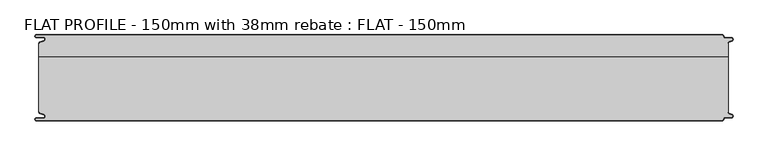
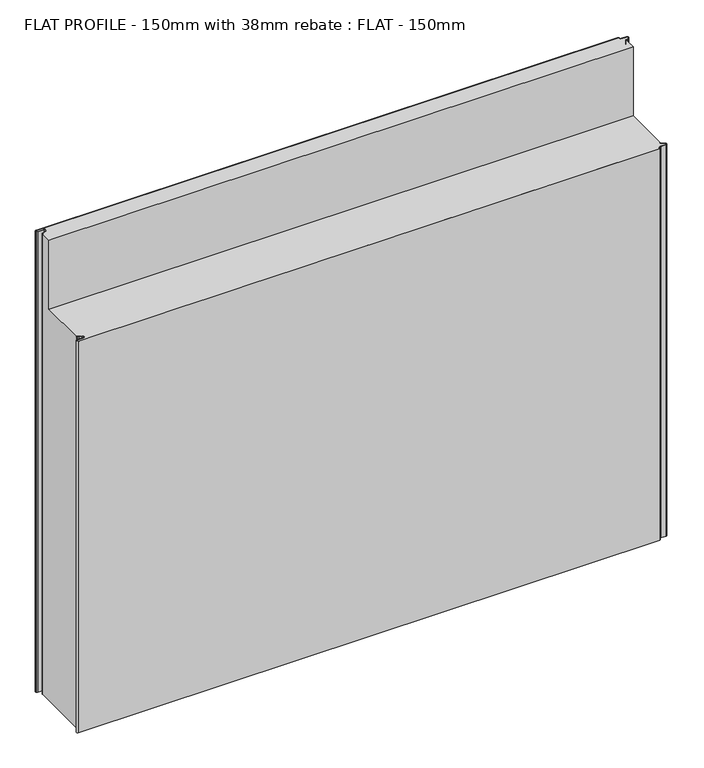
"""IFC4 building model written with IfcOpenShell, lengths in millimetres: proxy geometry, FLAT PROFILE - 150mm with 38mm rebate : FLAT - 150mm."""

from ifc_helpers import new_model, si_unit, point, frame, frame_2d, origin, origin_with_axes, place, context, project, spatial, polyline, circle_curve, trimmed, segment, composite_curve, outline, extrude, source, transform, mapped, element, save
from ifc_brep_helpers import plane_surface, cylinder_surface, revolved_surface, advanced_brep


def flat_profile_150mm_with_38mm_rebate_flat_150mm_bd614838(model_context):
    return source(origin(), model_context, "Body", "SolidModel", [
        advanced_brep(
        [(-592.9881924, 59.2522214, 1000.0), (-592.9881924, 36.9999981, 1000.0), (607.0118076, 36.9999981, 1000.0), (607.0118076, 59.2522195, 1000.0), (606.0107004, 59.2522195, 1000.0), (606.0682599, 60.4750703, 1000.0), (607.8546835, 62.9154119, 1000.0), (610.7828028, 64.1062964, 1000.0), (613.0435993, 64.9316951, 1000.0), (612.3116271, 68.9999981, 1000.0), (601.9112919, 68.9999981, 1000.0), (598.4115951, 72.45393, 1000.0), (596.902372, 73.9999981, 1000.0), (-597.3084562, 73.9999981, 1000.0), (-597.3733883, 71.016007, 1000.0), (-584.9273771, 71.016007, 1000.0), (-583.8995097, 63.9124389, 1000.0), (-589.3904999, 61.9138819, 1000.0), (-591.3794419, 61.1128932, 1000.0), (-591.9881924, 60.3779319, 1000.0), (-591.9881924, 59.2522214, 1000.0), (-591.3794419, -61.1128969, 0.0), (-591.9881924, -60.3779357, 0.0), (-591.9881924, -59.2522214, 0.0), (-592.9881924, -59.2522214, 0.0), (-592.9881924, 59.2522214, 0.0), (-591.9881924, 59.2522214, 0.0), (-591.9881924, 60.3779319, 0.0), (-591.3794419, 61.1128932, 0.0), (-589.3904999, 61.9138819, 0.0), (-583.8995097, 63.9124389, 0.0), (-584.9273771, 71.016007, 0.0), (-597.3733883, 71.016007, 0.0), (-597.3084562, 73.9999981, 0.0), (596.902372, 73.9999981, 0.0), (598.4115951, 72.45393, 0.0), (601.9112919, 68.9999981, 0.0), (612.3116271, 68.9999981, 0.0), (613.0435993, 64.9316951, 0.0), (610.7828028, 64.1062964, 0.0), (607.8546835, 62.9154119, 0.0), (606.0682599, 60.4750703, 0.0), (606.0107004, 59.2522195, 0.0), (607.0118076, 59.2522195, 0.0), (607.0118076, -59.2522232, 0.0), (606.0107004, -59.2522232, 0.0), (606.0682599, -60.475074, 0.0), (607.8546835, -62.9154156, 0.0), (610.7828028, -64.1063001, 0.0), (613.0435993, -64.9316988, 0.0), (612.3116271, -69.0000019, 0.0), (601.9112919, -69.0000019, 0.0), (598.4115951, -72.4539337, 0.0), (596.902372, -74.0000019, 0.0), (-597.3084562, -74.0000019, 0.0), (-597.3733883, -71.0160107, 0.0), (-584.9273771, -71.0160107, 0.0), (-583.8995097, -63.9124426, 0.0), (-589.3904999, -61.9138856, 0.0), (-591.3794419, -61.1128969, 850.0), (-591.9881924, -60.3779357, 850.0), (-591.9881924, -59.2522214, 850.0), (-592.9881924, -59.2522214, 850.0), (-592.9881924, 36.9999981, 850.0), (607.0118076, 36.9999981, 850.0), (607.0118076, -59.2522232, 850.0), (606.0107004, -59.2522232, 850.0), (606.0682599, -60.475074, 850.0), (607.8546835, -62.9154156, 850.0), (610.7828028, -64.1063001, 850.0), (613.0435993, -64.9316988, 850.0), (612.3116271, -69.0000019, 850.0), (601.9112919, -69.0000019, 850.0), (598.4115951, -72.4539337, 850.0), (596.902372, -74.0000019, 850.0), (-597.3084562, -74.0000019, 850.0), (-597.3733883, -71.0160107, 850.0), (-584.9273771, -71.0160107, 850.0), (-583.8995097, -63.9124426, 850.0), (-589.3904999, -61.9138856, 850.0)],
        [
            (0, 1),
            (1, 2),
            (2, 3),
            (3, 4),
            (4, 5),
            (5, 6, circle_curve(frame((608.9399875, 60.2468916, 1000.0), z_axis=(0.0, 0.0, -1.0), x_axis=(-0.37673982165718617, 0.9263191171392889, 0.0)), 2.8807786)),
            (6, 7),
            (7, 8),
            (8, 9, circle_curve(frame((612.3116271, 66.8999981, 1000.0), z_axis=(0.0, 0.0, 1.0), x_axis=(0.0, 1.0, 0.0)), 2.1)),
            (9, 10),
            (10, 11, circle_curve(frame((601.9112919, 72.4999981, 1000.0), z_axis=(0.0, 0.0, -1.0), x_axis=(-0.9999133729245651, -0.013162319196090405, 0.0)), 3.5)),
            (11, 12, circle_curve(frame((596.9047345, 72.4926422, 1000.0), z_axis=(0.0, 0.0, 1.0), x_axis=(-0.0015673364807945796, 0.9999987717274237, 0.0)), 1.5073578)),
            (12, 13),
            (13, 14, circle_curve(frame((-597.4921978, 72.5112943, 1000.0), z_axis=(0.0, 0.0, 1.0), x_axis=(0.07920631384695365, -0.9968582446099234, 0.0)), 1.5)),
            (14, 15),
            (15, 16, circle_curve(frame((-585.2882153, 67.3376458, 1000.0), z_axis=(0.0, 0.0, -1.0), x_axis=(0.3757302444367238, -0.926729077678865, 0.0)), 3.6960175)),
            (16, 17),
            (17, 18),
            (18, 19, circle_curve(frame((-591.0050311, 60.1831907, 1000.0), z_axis=(0.0, 0.0, 1.0), x_axis=(-0.9809418279781315, 0.1943016472470625, 0.0)), 1.0022625)),
            (19, 20),
            (20, 0),
            (21, 22, circle_curve(frame((-591.0050311, -60.1831944, 0.0), z_axis=(0.0, 0.0, -1.0), x_axis=(-0.9809418279781308, -0.19430164724706622, 0.0)), 1.0022625)),
            (22, 23),
            (23, 24),
            (24, 25),
            (25, 26),
            (26, 27),
            (27, 28, circle_curve(frame((-591.0050311, 60.1831907, 0.0), z_axis=(0.0, 0.0, -1.0), x_axis=(-0.9809418279781315, 0.1943016472470625, 0.0)), 1.0022625)),
            (28, 29),
            (29, 30),
            (30, 31, circle_curve(frame((-585.2882153, 67.3376458, 0.0), z_axis=(0.0, 0.0, 1.0), x_axis=(0.3757302444367238, -0.926729077678865, 0.0)), 3.6960175)),
            (31, 32),
            (32, 33, circle_curve(frame((-597.4921978, 72.5112943, 0.0), z_axis=(0.0, 0.0, -1.0), x_axis=(0.07920631384695365, -0.9968582446099234, 0.0)), 1.5)),
            (33, 34),
            (34, 35, circle_curve(frame((596.9047345, 72.4926422, 0.0), z_axis=(0.0, 0.0, -1.0), x_axis=(-0.0015673364807945796, 0.9999987717274237, 0.0)), 1.5073578)),
            (35, 36, circle_curve(frame((601.9112919, 72.4999981, 0.0), z_axis=(0.0, 0.0, 1.0), x_axis=(-0.9999133729245651, -0.013162319196090405, 0.0)), 3.5)),
            (36, 37),
            (37, 38, circle_curve(frame((612.3116271, 66.8999981, 0.0), z_axis=(0.0, 0.0, -1.0), x_axis=(0.0, 1.0, 0.0)), 2.1)),
            (38, 39),
            (39, 40),
            (40, 41, circle_curve(frame((608.9399875, 60.2468916, 0.0), z_axis=(0.0, 0.0, 1.0), x_axis=(-0.37673982165718617, 0.9263191171392889, 0.0)), 2.8807786)),
            (41, 42),
            (42, 43),
            (43, 44),
            (44, 45),
            (45, 46),
            (46, 47, circle_curve(frame((608.9399875, -60.2468953, 0.0), z_axis=(0.0, 0.0, 1.0), x_axis=(-0.3767398216573044, -0.9263191171392408, 0.0)), 2.8807786)),
            (47, 48),
            (48, 49),
            (49, 50, circle_curve(frame((612.3116271, -66.9000019, 0.0), z_axis=(0.0, 0.0, -1.0), x_axis=(0.0, -1.0, 0.0)), 2.1)),
            (50, 51),
            (51, 52, circle_curve(frame((601.9112919, -72.5000019, 0.0), z_axis=(0.0, 0.0, 1.0), x_axis=(-0.9999133729245651, 0.01316231919608663, 0.0)), 3.5)),
            (52, 53, circle_curve(frame((596.9047345, -72.4926459, 0.0), z_axis=(0.0, 0.0, -1.0), x_axis=(-0.001567336480790923, -0.9999987717274237, 0.0)), 1.5073578)),
            (53, 54),
            (54, 55, circle_curve(frame((-597.4921978, -72.511298, 0.0), z_axis=(0.0, 0.0, -1.0), x_axis=(0.07920631384694989, 0.9968582446099238, 0.0)), 1.5)),
            (55, 56),
            (56, 57, circle_curve(frame((-585.2882153, -67.3376495, 0.0), z_axis=(0.0, 0.0, 1.0), x_axis=(0.3757302444367203, 0.9267290776788665, 0.0)), 3.6960175)),
            (57, 58),
            (58, 21),
            (21, 59),
            (59, 60, circle_curve(frame((-591.0050311, -60.1831944, 850.0), z_axis=(0.0, 0.0, -1.0), x_axis=(-0.9809418279781308, -0.19430164724706622, 0.0)), 1.0022625)),
            (60, 22),
            (60, 61),
            (61, 23),
            (61, 62),
            (62, 24),
            (62, 63),
            (63, 1),
            (0, 25),
            (20, 26),
            (19, 27),
            (18, 28),
            (17, 29),
            (16, 30),
            (15, 31),
            (14, 32),
            (13, 33),
            (12, 34),
            (11, 35),
            (10, 36),
            (9, 37),
            (8, 38),
            (7, 39),
            (6, 40),
            (5, 41),
            (4, 42),
            (3, 43),
            (2, 64),
            (64, 65),
            (65, 44),
            (65, 66),
            (66, 45),
            (66, 67),
            (67, 46),
            (67, 68, circle_curve(frame((608.9399875, -60.2468953, 850.0), z_axis=(0.0, 0.0, 1.0), x_axis=(-0.3767398216573044, -0.9263191171392408, 0.0)), 2.8807786)),
            (68, 47),
            (68, 69),
            (69, 48),
            (69, 70),
            (70, 49),
            (70, 71, circle_curve(frame((612.3116271, -66.9000019, 850.0), z_axis=(0.0, 0.0, -1.0), x_axis=(0.0, -1.0, 0.0)), 2.1)),
            (71, 50),
            (71, 72),
            (72, 51),
            (72, 73, circle_curve(frame((601.9112919, -72.5000019, 850.0), z_axis=(0.0, 0.0, 1.0), x_axis=(-0.9999133729245651, 0.01316231919608663, 0.0)), 3.5)),
            (73, 52),
            (73, 74, circle_curve(frame((596.9047345, -72.4926459, 850.0), z_axis=(0.0, 0.0, -1.0), x_axis=(-0.001567336480790923, -0.9999987717274237, 0.0)), 1.5073578)),
            (74, 53),
            (74, 75),
            (75, 54),
            (75, 76, circle_curve(frame((-597.4921978, -72.511298, 850.0), z_axis=(0.0, 0.0, -1.0), x_axis=(0.07920631384694989, 0.9968582446099238, 0.0)), 1.5)),
            (76, 55),
            (76, 77),
            (77, 56),
            (77, 78, circle_curve(frame((-585.2882153, -67.3376495, 850.0), z_axis=(0.0, 0.0, 1.0), x_axis=(0.3757302444367203, 0.9267290776788665, 0.0)), 3.6960175)),
            (78, 57),
            (78, 79),
            (79, 58),
            (79, 59),
            (64, 63),
        ],
        [
            plane_surface(frame((0.0, 0.0, 1000.0), z_axis=(0.0, 0.0, 1.0), x_axis=(1.0, 0.0, 0.0))),
            plane_surface(frame((0.0, 0.0, 0.0), z_axis=(0.0, 0.0, -1.0), x_axis=(1.0, 0.0, 0.0))),
            cylinder_surface(frame((-591.0050311, -60.1831944, 1000.0), z_axis=(0.0, 0.0, 1.0), x_axis=(-0.9809418279781308, -0.19430164724706622, 0.0)), 1.0022625),
            plane_surface(frame((-591.9881924, -60.3779357, 1000.0), z_axis=(-1.0, 0.0, 0.0), x_axis=(0.0, 0.0, -1.0))),
            plane_surface(frame((-591.9881924, -59.2522214, 1000.0), z_axis=(0.0, -1.0, 0.0), x_axis=(0.0, 0.0, -1.0))),
            plane_surface(frame((-592.9881924, -59.2522214, 1000.0), z_axis=(-1.0, 0.0, 0.0), x_axis=(0.0, 0.0, -1.0))),
            plane_surface(frame((-592.9881924, 59.2522214, 1000.0), z_axis=(0.0, 1.0, 0.0), x_axis=(0.0, 0.0, -1.0))),
            plane_surface(frame((-591.9881924, 59.2522214, 1000.0), z_axis=(-1.0, 0.0, 0.0), x_axis=(0.0, 0.0, -1.0))),
            cylinder_surface(frame((-591.0050311, 60.1831907, 1000.0), z_axis=(0.0, 0.0, 1.0), x_axis=(-0.9809418279781315, 0.1943016472470625, 0.0)), 1.0022625),
            plane_surface(frame((-591.3794419, 61.1128932, 1000.0), z_axis=(-0.3735655344162246, 0.927603790147669, 0.0), x_axis=(0.0, 0.0, -1.0))),
            plane_surface(frame((-589.3904999, 61.9138819, 1000.0), z_axis=(-0.34202014332566044, 0.9396926207859114, 0.0), x_axis=(0.0, 0.0, -1.0))),
            revolved_surface(polyline([(-583.8995097412826, 63.91243891114006, 0.0), (-583.8995097412826, 63.91243891114006, 1000.0)]), (-585.2882153, 67.3376458, 1000.0), (0.0, 0.0, -1.0)),
            plane_surface(frame((-584.9273771, 71.016007, 1000.0), z_axis=(0.0, -1.0, 0.0), x_axis=(0.0, 0.0, -1.0))),
            cylinder_surface(frame((-597.4921978, 72.5112943, 1000.0), z_axis=(0.0, 0.0, 1.0), x_axis=(0.07920631384695365, -0.9968582446099234, 0.0)), 1.5),
            plane_surface(frame((-597.3084562, 73.9999981, 1000.0), z_axis=(0.0, 1.0, 0.0), x_axis=(0.0, 0.0, -1.0))),
            cylinder_surface(frame((596.9047345, 72.4926422, 1000.0), z_axis=(0.0, 0.0, 1.0), x_axis=(-0.0015673364807945796, 0.9999987717274237, 0.0)), 1.5073578),
            revolved_surface(polyline([(598.411595094764, 72.45392998281368, 0.0), (598.411595094764, 72.45392998281368, 1000.0)]), (601.9112919, 72.4999981, 1000.0), (0.0, 0.0, -1.0)),
            plane_surface(frame((601.9112919, 68.9999981, 1000.0), z_axis=(0.0, 1.0, 0.0), x_axis=(0.0, 0.0, -1.0))),
            cylinder_surface(frame((612.3116271, 66.8999981, 1000.0), z_axis=(0.0, 0.0, 1.0), x_axis=(0.0, 1.0, 0.0)), 2.1),
            plane_surface(frame((613.0435993, 64.9316951, 1000.0), z_axis=(0.3429504420524923, -0.939353498048525, 0.0), x_axis=(0.0, 0.0, -1.0))),
            plane_surface(frame((610.7828028, 64.1062964, 1000.0), z_axis=(0.3767398216573625, -0.9263191171392172, 0.0), x_axis=(0.0, 0.0, -1.0))),
            revolved_surface(polyline([(607.8546834840022, 62.915411889425755, -4.547473508864641e-13), (607.8546834840022, 62.915411889425755, 1000.0)]), (608.9399875, 60.2468916, 1000.0), (0.0, 0.0, -1.0000000000000002)),
            plane_surface(frame((606.0682599, 60.4750703, 1000.0), z_axis=(0.9988940489238197, -0.047017858570736114, 0.0), x_axis=(0.0, 0.0, -1.0))),
            plane_surface(frame((606.0107004, 59.2522195, 1000.0), z_axis=(0.0, 1.0, 0.0), x_axis=(0.0, 0.0, -1.0))),
            plane_surface(frame((607.0118076, 59.2522195, 1000.0), z_axis=(1.0, 0.0, 0.0), x_axis=(0.0, 0.0, -1.0))),
            plane_surface(frame((607.0118076, -59.2522232, 1000.0), z_axis=(0.0, -1.0, 0.0), x_axis=(0.0, 0.0, -1.0))),
            plane_surface(frame((606.0107004, -59.2522232, 1000.0), z_axis=(0.9988940489238193, 0.0470178585707465, 0.0), x_axis=(0.0, 0.0, -1.0))),
            revolved_surface(polyline([(607.8546834840018, -62.91541558942561, 0.0), (607.8546834840018, -62.91541558942561, 850.0)]), (608.9399875, -60.2468953, 1000.0), (0.0, 0.0, -1.0)),
            plane_surface(frame((607.8546835, -62.9154156, 1000.0), z_axis=(0.3767398216573234, 0.9263191171392331, 0.0), x_axis=(0.0, 0.0, -1.0))),
            plane_surface(frame((610.7828028, -64.1063001, 1000.0), z_axis=(0.3429504420524923, 0.939353498048525, 0.0), x_axis=(0.0, 0.0, -1.0))),
            cylinder_surface(frame((612.3116271, -66.9000019, 1000.0), z_axis=(0.0, 0.0, 1.0), x_axis=(0.0, -1.0, 0.0)), 2.1),
            plane_surface(frame((612.3116271, -69.0000019, 1000.0), z_axis=(0.0, -1.0, 0.0), x_axis=(0.0, 0.0, -1.0))),
            revolved_surface(polyline([(598.411595094764, -72.45393378281369, 0.0), (598.411595094764, -72.45393378281369, 850.0)]), (601.9112919, -72.5000019, 1000.0), (0.0, 0.0, -1.0)),
            cylinder_surface(frame((596.9047345, -72.4926459, 1000.0), z_axis=(0.0, 0.0, 1.0), x_axis=(-0.001567336480790923, -0.9999987717274237, 0.0)), 1.5073578),
            plane_surface(frame((596.902372, -74.0000019, 1000.0), z_axis=(0.0, -1.0, 0.0), x_axis=(0.0, 0.0, -1.0))),
            cylinder_surface(frame((-597.4921978, -72.511298, 1000.0), z_axis=(0.0, 0.0, 1.0000000000000002), x_axis=(0.07920631384694989, 0.9968582446099238, 0.0)), 1.5),
            plane_surface(frame((-597.3733883, -71.0160107, 1000.0), z_axis=(0.0, 1.0, 0.0), x_axis=(0.0, 0.0, -1.0))),
            revolved_surface(polyline([(-583.8995097412826, -63.91244261114005, -4.547473508864641e-13), (-583.8995097412826, -63.91244261114005, 850.0)]), (-585.2882153, -67.3376495, 1000.0), (0.0, 0.0, -1.0000000000000002)),
            plane_surface(frame((-583.8995097, -63.9124426, 1000.0), z_axis=(-0.3420201433256566, -0.9396926207859129, 0.0), x_axis=(0.0, 0.0, -1.0))),
            plane_surface(frame((-589.3904999, -61.9138856, 1000.0), z_axis=(-0.37356553441622287, -0.9276037901476696, 0.0), x_axis=(0.0, 0.0, -1.0))),
            plane_surface(frame((-612.9881924, -96.1440833, 850.0), z_axis=(0.0, 0.0, 1.0), x_axis=(1.0, 0.0, 0.0))),
            plane_surface(frame((-612.9881924, 36.9999981, 1000.0), z_axis=(0.0, -1.0, 0.0), x_axis=(0.0, 0.0, -1.0))),
        ],
        [
            (0, [[1, 2, 3, 4, 5, 6, 7, 8, 9, 10, 11, 12, 13, 14, 15, 16, 17, 18, 19, 20, 21]]),
            (1, [[22, 23, 24, 25, 26, 27, 28, 29, 30, 31, 32, 33, 34, 35, 36, 37, 38, 39, 40, 41, 42, 43, 44, 45, 46, 47, 48, 49, 50, 51, 52, 53, 54, 55, 56, 57, 58, 59]]),
            (2, [[60, 61, 62, -22]]),
            (3, [[-62, 63, 64, -23]]),
            (4, [[-64, 65, 66, -24]]),
            (5, [[-66, 67, 68, -1, 69, -25]]),
            (6, [[70, -26, -69, -21]]),
            (7, [[71, -27, -70, -20]]),
            (8, [[72, -28, -71, -19]]),
            (9, [[73, -29, -72, -18]]),
            (10, [[74, -30, -73, -17]]),
            (11, [[75, -31, -74, -16]]),
            (12, [[76, -32, -75, -15]]),
            (13, [[77, -33, -76, -14]]),
            (14, [[78, -34, -77, -13]]),
            (15, [[79, -35, -78, -12]]),
            (16, [[80, -36, -79, -11]]),
            (17, [[81, -37, -80, -10]]),
            (18, [[82, -38, -81, -9]]),
            (19, [[83, -39, -82, -8]]),
            (20, [[84, -40, -83, -7]]),
            (21, [[85, -41, -84, -6]]),
            (22, [[86, -42, -85, -5]]),
            (23, [[87, -43, -86, -4]]),
            (24, [[-87, -3, 88, 89, 90, -44]]),
            (25, [[-90, 91, 92, -45]]),
            (26, [[-92, 93, 94, -46]]),
            (27, [[-94, 95, 96, -47]]),
            (28, [[-96, 97, 98, -48]]),
            (29, [[-98, 99, 100, -49]]),
            (30, [[-100, 101, 102, -50]]),
            (31, [[-102, 103, 104, -51]]),
            (32, [[-104, 105, 106, -52]]),
            (33, [[-106, 107, 108, -53]]),
            (34, [[-108, 109, 110, -54]]),
            (35, [[-110, 111, 112, -55]]),
            (36, [[-112, 113, 114, -56]]),
            (37, [[-114, 115, 116, -57]]),
            (38, [[-116, 117, 118, -58]]),
            (39, [[-118, 119, -60, -59]]),
            (40, [[-67, -65, -63, -61, -119, -117, -115, -113, -111, -109, -107, -105, -103, -101, -99, -97, -95, -93, -91, -89, 120]]),
            (41, [[-88, -2, -68, -120]]),
        ],
    ),
        extrude(outline(composite_curve([segment(polyline([(-591.3794419, -61.1128969), (-589.3904999, -61.9138856), (-583.8995097, -63.9124426)]), True, "CONTINUOUS"), segment(trimmed(circle_curve(frame_2d((-585.2882153, -67.3376495)), 3.6960175), [point((-583.8995097, -63.9124426))], [point((-584.9273771, -71.0160107))], False, "CARTESIAN"), True, "CONTINUOUS"), segment(polyline([(-584.9273771, -71.0160107), (-597.3733883, -71.0160107)]), True, "CONTINUOUS"), segment(trimmed(circle_curve(frame_2d((-597.4921978, -72.511298)), 1.5), [point((-597.3733883, -71.0160107))], [point((-597.3084562, -74.0000019))], True, "CARTESIAN"), True, "CONTINUOUS"), segment(polyline([(-597.3084562, -74.0000019), (596.902372, -74.0000019)]), True, "CONTINUOUS"), segment(trimmed(circle_curve(frame_2d((596.9047345, -72.4926459)), 1.5073578), [point((596.902372, -74.0000019))], [point((598.4115951, -72.4539337))], True, "CARTESIAN"), True, "CONTINUOUS"), segment(trimmed(circle_curve(frame_2d((601.9112919, -72.5000019)), 3.5), [point((598.4115951, -72.4539337))], [point((601.9112919, -69.0000019))], False, "CARTESIAN"), True, "CONTINUOUS"), segment(polyline([(601.9112919, -69.0000019), (612.3116271, -69.0000019)]), True, "CONTINUOUS"), segment(trimmed(circle_curve(frame_2d((612.3116271, -66.9000019)), 2.1), [point((612.3116271, -69.0000019))], [point((613.0435993, -64.9316988))], True, "CARTESIAN"), True, "CONTINUOUS"), segment(polyline([(613.0435993, -64.9316988), (610.7828028, -64.1063001), (607.8546835, -62.9154156)]), True, "CONTINUOUS"), segment(trimmed(circle_curve(frame_2d((608.9399875, -60.2468953)), 2.8807786), [point((607.8546835, -62.9154156))], [point((606.0682599, -60.475074))], False, "CARTESIAN"), True, "CONTINUOUS"), segment(polyline([(606.0682599, -60.475074), (606.0107004, -59.2522232), (607.0118076, -59.2522232), (607.0118076, -60.4591051)]), True, "CONTINUOUS"), segment(trimmed(circle_curve(frame_2d((609.0514567, -60.1592666)), 2.0615701), [point((607.0118076, -60.4591051))], [point((608.2411829, -62.0549269))], True, "CARTESIAN"), True, "CONTINUOUS"), segment(polyline([(608.2411829, -62.0549269), (611.1427659, -63.1731578), (613.3890842, -63.9932707)]), True, "CONTINUOUS"), segment(trimmed(circle_curve(frame_2d((612.3116271, -66.9000019)), 3.1), [point((613.3890842, -63.9932707))], [point((612.3116271, -70.0000019))], False, "CARTESIAN"), True, "CONTINUOUS"), segment(polyline([(612.3116271, -70.0000019), (601.9112919, -70.0000019)]), True, "CONTINUOUS"), segment(trimmed(circle_curve(frame_2d((601.9112919, -72.5000019)), 2.5), [point((601.9112919, -70.0000019))], [point((599.4117582, -72.4517176))], True, "CARTESIAN"), True, "CONTINUOUS"), segment(trimmed(circle_curve(frame_2d((596.9047345, -72.4926459)), 2.5073578), [point((599.4117582, -72.4517176))], [point((596.9016875, -75.0000019))], False, "CARTESIAN"), True, "CONTINUOUS"), segment(polyline([(596.9016875, -75.0000019), (-597.2548091, -75.0000019)]), True, "CONTINUOUS"), segment(trimmed(circle_curve(frame_2d((-597.4921978, -72.511298)), 2.5), [point((-597.2548091, -75.0000019))], [point((-597.3387672, -70.0160107))], False, "CARTESIAN"), True, "CONTINUOUS"), segment(polyline([(-597.3387672, -70.0160107), (-584.9801705, -70.0160107)]), True, "CONTINUOUS"), segment(trimmed(circle_curve(frame_2d((-585.2882153, -67.3376495)), 2.6960175), [point((-584.9801705, -70.0160107))], [point((-584.2598383, -64.8454715))], True, "CARTESIAN"), True, "CONTINUOUS"), segment(polyline([(-584.2598383, -64.8454715), (-589.7483949, -62.8478003), (-591.7530074, -62.0405007)]), True, "CONTINUOUS"), segment(trimmed(circle_curve(frame_2d((-591.0050311, -60.1831944)), 2.0022625), [point((-591.7530074, -62.0405007))], [point((-592.9881924, -60.4591051))], False, "CARTESIAN"), True, "CONTINUOUS"), segment(polyline([(-592.9881924, -60.4591051), (-592.9881924, -59.2522214), (-591.9881924, -59.2522214), (-591.9881924, -60.3779357)]), True, "CONTINUOUS"), segment(trimmed(circle_curve(frame_2d((-591.0050311, -60.1831944)), 1.0022625), [point((-591.9881924, -60.3779357))], [point((-591.3794419, -61.1128969))], True, "CARTESIAN"), True, "CONTINUOUS")], self_intersect=False)), origin_with_axes(), (0.0, 0.0, 1.0), 850.0),
        extrude(outline(composite_curve([segment(trimmed(circle_curve(frame_2d((-591.0050311, 60.1831907)), 1.0022625), [point((-591.3794419, 61.1128932))], [point((-591.9881924, 60.3779319))], True, "CARTESIAN"), True, "CONTINUOUS"), segment(polyline([(-591.9881924, 60.3779319), (-591.9881924, 59.2522177), (-592.9881924, 59.2522177), (-592.9881924, 60.4591014)]), True, "CONTINUOUS"), segment(trimmed(circle_curve(frame_2d((-591.0050311, 60.1831907)), 2.0022625), [point((-592.9881924, 60.4591014))], [point((-591.7530074, 62.040497))], False, "CARTESIAN"), True, "CONTINUOUS"), segment(polyline([(-591.7530074, 62.040497), (-589.7483949, 62.8477966), (-584.2598383, 64.8454678)]), True, "CONTINUOUS"), segment(trimmed(circle_curve(frame_2d((-585.2882153, 67.3376458)), 2.6960175), [point((-584.2598383, 64.8454678))], [point((-584.9801705, 70.016007))], True, "CARTESIAN"), True, "CONTINUOUS"), segment(polyline([(-584.9801705, 70.016007), (-597.3387672, 70.016007)]), True, "CONTINUOUS"), segment(trimmed(circle_curve(frame_2d((-597.4921978, 72.5112943)), 2.5), [point((-597.3387672, 70.016007))], [point((-597.2548091, 74.9999981))], False, "CARTESIAN"), True, "CONTINUOUS"), segment(polyline([(-597.2548091, 74.9999981), (596.9016875, 74.9999981)]), True, "CONTINUOUS"), segment(trimmed(circle_curve(frame_2d((596.9047345, 72.4926422)), 2.5073578), [point((596.9016875, 74.9999981))], [point((599.4117582, 72.4517139))], False, "CARTESIAN"), True, "CONTINUOUS"), segment(trimmed(circle_curve(frame_2d((601.9112919, 72.4999981)), 2.5), [point((599.4117582, 72.4517139))], [point((601.9112919, 69.9999981))], True, "CARTESIAN"), True, "CONTINUOUS"), segment(polyline([(601.9112919, 69.9999981), (612.3116271, 69.9999981)]), True, "CONTINUOUS"), segment(trimmed(circle_curve(frame_2d((612.3116271, 66.8999981)), 3.1), [point((612.3116271, 69.9999981))], [point((613.3890842, 63.993267))], False, "CARTESIAN"), True, "CONTINUOUS"), segment(polyline([(613.3890842, 63.993267), (611.1427659, 63.1731541), (608.2411829, 62.0549231)]), True, "CONTINUOUS"), segment(trimmed(circle_curve(frame_2d((609.0514567, 60.1592629)), 2.0615701), [point((608.2411829, 62.0549231))], [point((607.0118076, 60.4591014))], True, "CARTESIAN"), True, "CONTINUOUS"), segment(polyline([(607.0118076, 60.4591014), (607.0118076, 59.2522195), (606.0107004, 59.2522195), (606.0682599, 60.4750703)]), True, "CONTINUOUS"), segment(trimmed(circle_curve(frame_2d((608.9399875, 60.2468916)), 2.8807786), [point((606.0682599, 60.4750703))], [point((607.8546835, 62.9154119))], False, "CARTESIAN"), True, "CONTINUOUS"), segment(polyline([(607.8546835, 62.9154119), (610.7828028, 64.1062964), (613.0435993, 64.9316951)]), True, "CONTINUOUS"), segment(trimmed(circle_curve(frame_2d((612.3116271, 66.8999981)), 2.1), [point((613.0435993, 64.9316951))], [point((612.3116271, 68.9999981))], True, "CARTESIAN"), True, "CONTINUOUS"), segment(polyline([(612.3116271, 68.9999981), (601.9112919, 68.9999981)]), True, "CONTINUOUS"), segment(trimmed(circle_curve(frame_2d((601.9112919, 72.4999981)), 3.5), [point((601.9112919, 68.9999981))], [point((598.4115951, 72.45393))], False, "CARTESIAN"), True, "CONTINUOUS"), segment(trimmed(circle_curve(frame_2d((596.9047345, 72.4926422)), 1.5073578), [point((598.4115951, 72.45393))], [point((596.902372, 73.9999981))], True, "CARTESIAN"), True, "CONTINUOUS"), segment(polyline([(596.902372, 73.9999981), (-597.3084562, 73.9999981)]), True, "CONTINUOUS"), segment(trimmed(circle_curve(frame_2d((-597.4921978, 72.5112943)), 1.5), [point((-597.3084562, 73.9999981))], [point((-597.3733883, 71.016007))], True, "CARTESIAN"), True, "CONTINUOUS"), segment(polyline([(-597.3733883, 71.016007), (-584.9273771, 71.016007)]), True, "CONTINUOUS"), segment(trimmed(circle_curve(frame_2d((-585.2882153, 67.3376458)), 3.6960175), [point((-584.9273771, 71.016007))], [point((-583.8995097, 63.9124389))], False, "CARTESIAN"), True, "CONTINUOUS"), segment(polyline([(-583.8995097, 63.9124389), (-589.3904999, 61.9138819), (-591.3794419, 61.1128932)]), True, "CONTINUOUS")], self_intersect=False)), origin_with_axes(), (0.0, 0.0, 1.0), 1000.0),
    ])


if __name__ == "__main__":
    model = new_model("IFC4")
    model_context = context("Model", 3, world=origin())
    ifc_project = project(units=[si_unit("LENGTHUNIT", "METRE", prefix="MILLI")], contexts=[model_context])
    site = spatial("IfcSite", under=ifc_project)
    building = spatial("IfcBuilding", under=site)
    placement = place(None, origin())
    flat_profile_150mm_with_38mm_rebate_flat_150mm_shape = flat_profile_150mm_with_38mm_rebate_flat_150mm_bd614838(model_context)
    element("IfcBuildingElementProxy", 1, Name="FLAT PROFILE - 150mm with 38mm rebate : FLAT - 150mm", ObjectType="FLAT PROFILE - 150mm with 38mm rebate : FLAT - 150mm", at=placement, inside=building, context=model_context, shape_type="MappedRepresentation", body=[
        mapped(flat_profile_150mm_with_38mm_rebate_flat_150mm_shape, transform((0.0, 0.0, 0.0), x_axis=(1.0, 0.0, 0.0), y_axis=(0.0, 1.0, 0.0), z_axis=(0.0, 0.0, 1.0))),
    ])
    save(model, "model.ifc")
